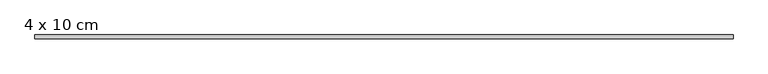
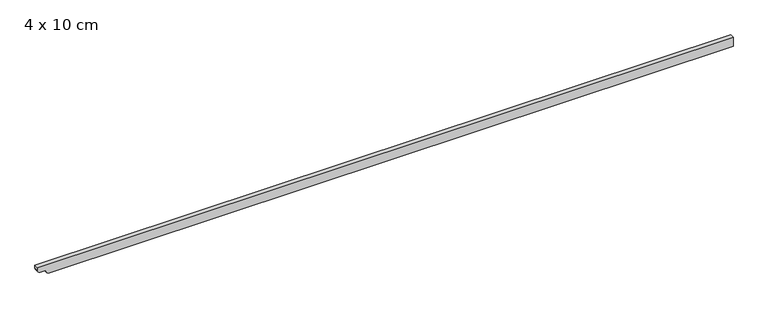
"""IFC4 building model written with IfcOpenShell, lengths in millimetres: beam geometry, 4 x 10 cm."""

from ifc_helpers import new_model, si_unit, point, frame, frame_2d, origin, place, context, project, spatial, polyline, circle_curve, trimmed, segment, composite_curve, outline, extrude, source, transform, mapped, element, save


def beam_4_x_10_cm_64fdced2(model_context):
    return source(origin(), model_context, "Body", "SweptSolid", [
        extrude(outline(composite_curve([segment(polyline([(50.0, 3598.4677055), (50.0, -3638.1959515), (22.5, -3638.1959515)]), True, "CONTINUOUS"), segment(trimmed(circle_curve(frame_2d((22.5, -3605.6959515)), 32.5), [point((22.5, -3638.1959515))], [point((-10.0, -3605.6959515))], False, "CARTESIAN"), True, "CONTINUOUS"), segment(polyline([(-10.0, -3605.6959515), (-10.0, -3574.6857464)]), True, "CONTINUOUS"), segment(trimmed(circle_curve(frame_2d((-40.0, -3574.6857464)), 30.0), [point((-10.0, -3574.6857464))], [point((-34.0, -3545.2918695))], True, "CARTESIAN"), True, "CONTINUOUS"), segment(trimmed(circle_curve(frame_2d((-3.1535049, -3505.9409643)), 50.0), [point((-34.0, -3545.2918695))], [point((-53.1535049, -3505.9409643))], False, "CARTESIAN"), True, "CONTINUOUS"), segment(polyline([(-53.1535049, -3505.9409643), (-53.1535049, 3598.4677055), (50.0, 3598.4677055)]), True, "CONTINUOUS")], self_intersect=False)), frame((0.0, -20.0, 0.0), z_axis=(0.0, 1.0, 0.0), x_axis=(0.0, 0.0, 1.0)), (0.0, 0.0, 1.0), 40.0),
    ])


if __name__ == "__main__":
    model = new_model("IFC4")
    model_context = context("Model", 3, world=origin())
    ifc_project = project(units=[si_unit("LENGTHUNIT", "METRE", prefix="MILLI")], contexts=[model_context])
    site = spatial("IfcSite", under=ifc_project)
    building = spatial("IfcBuilding", under=site)
    placement = place(None, origin())
    beam_4_x_10_cm_shape = beam_4_x_10_cm_64fdced2(model_context)
    element("IfcBeam", 1, ObjectType="4 x 10 cm", at=placement, inside=building, context=model_context, shape_type="MappedRepresentation", body=[
        mapped(beam_4_x_10_cm_shape, transform((0.0, 0.0, 0.0), x_axis=(1.0, 0.0, 0.0), y_axis=(0.0, 1.0, 0.0), z_axis=(0.0, 0.0, 1.0))),
    ])
    save(model, "model.ifc")
